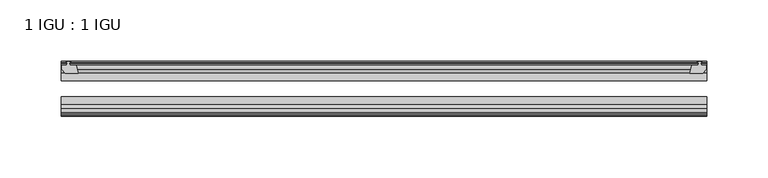
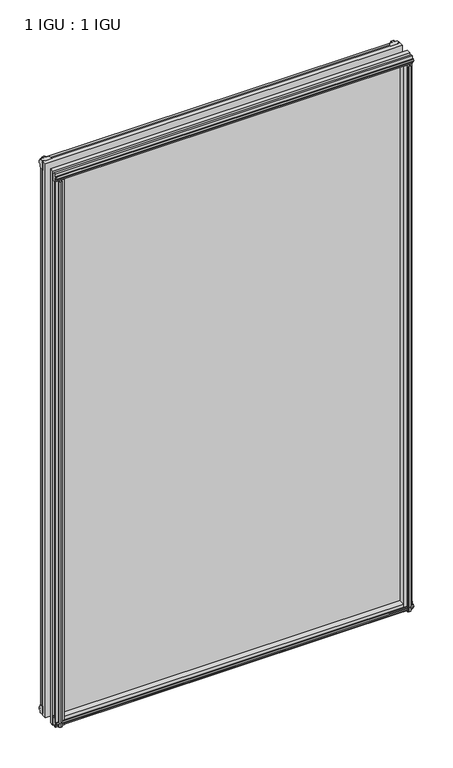
"""IFC4 building model written with IfcOpenShell, lengths in millimetres: plate geometry, 1 IGU : 1 IGU."""

import ifcopenshell
import ifcopenshell.guid

model = None  # the IFC model being written
_history = None  # IfcOwnerHistory: only IFC2X3 demands one
_inside = {}  # id of a spatial element -> (the spatial element, [elements in it])
_under = {}  # id of a project, library or spatial element -> (it, [spatial elements below it])
_declared = {}  # id of a project -> (the project, [libraries it declares])
_typed = {}  # id of a type object -> (the type object, [elements of that type])
_made_of = {}  # id of a material, layer set ... -> (it, [elements and type objects made of it])


def new_model(schema):
    """Start an empty IFC model of exactly this schema.

    Asked for "IFC4X3", IfcOpenShell would pick the latest addendum, in which some entities
    have other attributes; the version numbers below select the first issue.
    IFC2X3 requires an IfcOwnerHistory on every rooted entity: one is made here for all.
    """
    global model, _history
    if schema == "IFC4X3":
        model = ifcopenshell.file(schema_version=(4, 3, 0, 0))
    else:
        model = ifcopenshell.file(schema=schema)
    _inside.clear()
    _under.clear()
    _declared.clear()
    _typed.clear()
    _made_of.clear()
    _history = None
    if model.schema == "IFC2X3":
        org = make("IfcOrganization", Name="unknown")
        user = make(
            "IfcPersonAndOrganization",
            ThePerson=make("IfcPerson", FamilyName="unknown"),
            TheOrganization=org,
        )
        app = make(
            "IfcApplication",
            ApplicationDeveloper=org,
            Version="unknown",
            ApplicationFullName="unknown",
            ApplicationIdentifier="unknown",
        )
        _history = make(
            "IfcOwnerHistory",
            OwningUser=user,
            OwningApplication=app,
            ChangeAction="ADDED",
            CreationDate=0,
        )
    return model


def make(cls, **values):
    """One entity of the class cls with the attributes given. An attribute that is None is left unset."""
    return model.create_entity(
        cls, **{name: value for name, value in values.items() if value is not None}
    )


def rooted(cls, **values):
    """An entity with a GlobalId (a new one), such as an element, a storey or a relation."""
    return make(cls, GlobalId=ifcopenshell.guid.new(), OwnerHistory=_history, **values)


def si_unit(unit_type, name, prefix=None):
    """IfcSIUnit, for example si_unit("LENGTHUNIT", "METRE", prefix="MILLI")."""
    return make("IfcSIUnit", UnitType=unit_type, Prefix=prefix, Name=name)


def assignment(units):
    """IfcUnitAssignment: the units of a project."""
    return None if units is None else make("IfcUnitAssignment", Units=units)


def point(xyz):
    """IfcCartesianPoint."""
    return None if xyz is None else make("IfcCartesianPoint", Coordinates=xyz)


def direction(xyz):
    """IfcDirection."""
    return None if xyz is None else make("IfcDirection", DirectionRatios=xyz)


def frame(location, z_axis=None, x_axis=None):
    """IfcAxis2Placement3D, a coordinate frame: its origin and axes. An axis left out is left unset."""
    return make(
        "IfcAxis2Placement3D",
        Location=point(location),
        Axis=direction(z_axis),
        RefDirection=direction(x_axis),
    )


def origin():
    """The frame at (0, 0, 0) with its axes left unset."""
    return frame((0.0, 0.0, 0.0))


def place(relative_to, where):
    """IfcLocalPlacement: puts the frame where relative to a parent placement (None: the world)."""
    return make(
        "IfcLocalPlacement", PlacementRelTo=relative_to, RelativePlacement=where
    )


def context(
    kind, dimensions, precision=None, world=None, true_north=None, identifier=None
):
    """IfcGeometricRepresentationContext, for example the 3D "Model" context."""
    return make(
        "IfcGeometricRepresentationContext",
        ContextIdentifier=identifier,
        ContextType=kind,
        CoordinateSpaceDimension=dimensions,
        Precision=precision,
        WorldCoordinateSystem=world,
        TrueNorth=true_north,
    )


def project(units=None, contexts=None):
    """IfcProject with its units and contexts."""
    return rooted(
        "IfcProject",
        Name="project",
        RepresentationContexts=contexts,
        UnitsInContext=assignment(units),
    )


def spatial(cls, under=None, at=None, **own):
    """A site, building, storey or space (cls), placed at a placement, below another one or the project."""
    s = rooted(cls, ObjectPlacement=at, **own)
    if under is not None:
        _under.setdefault(under.id(), (under, []))[1].append(s)
    return s


def polyline(points):
    """IfcPolyline through the points."""
    return make("IfcPolyline", Points=[point(p) for p in points])


def outline(outer, holes=None, kind="AREA"):
    """IfcArbitraryClosedProfileDef: a profile drawn as a closed curve; with holes, ...WithVoids."""
    if holes is None:
        return make("IfcArbitraryClosedProfileDef", ProfileType=kind, OuterCurve=outer)
    return make(
        "IfcArbitraryProfileDefWithVoids",
        ProfileType=kind,
        OuterCurve=outer,
        InnerCurves=holes,
    )


def extrude(swept, where, along, depth):
    """IfcExtrudedAreaSolid: the profile swept, set in the frame where, extruded along a direction by depth."""
    return make(
        "IfcExtrudedAreaSolid",
        SweptArea=swept,
        Position=where,
        ExtrudedDirection=direction(along),
        Depth=depth,
    )


def shape(context_of_items, identifier, shape_type, items):
    """IfcShapeRepresentation: the items that make up one representation, for example the "Body"."""
    return make(
        "IfcShapeRepresentation",
        ContextOfItems=context_of_items,
        RepresentationIdentifier=identifier,
        RepresentationType=shape_type,
        Items=items,
    )


def source(mapping_origin, context_of_items, identifier, shape_type, items):
    """IfcRepresentationMap: a shape defined once, which mapped items show again and again."""
    return make(
        "IfcRepresentationMap",
        MappingOrigin=mapping_origin,
        MappedRepresentation=shape(context_of_items, identifier, shape_type, items),
    )


def transform(
    local_origin,
    x_axis=None,
    y_axis=None,
    z_axis=None,
    scale=None,
    scale2=None,
    scale3=None,
    uniform=True,
):
    """IfcCartesianTransformationOperator3D, or its non-uniform kind. x_axis, y_axis, z_axis: its Axis1, 2, 3."""
    if uniform:
        return make(
            "IfcCartesianTransformationOperator3D",
            Axis1=direction(x_axis),
            Axis2=direction(y_axis),
            LocalOrigin=point(local_origin),
            Scale=scale,
            Axis3=direction(z_axis),
        )
    return make(
        "IfcCartesianTransformationOperator3DnonUniform",
        Axis1=direction(x_axis),
        Axis2=direction(y_axis),
        LocalOrigin=point(local_origin),
        Scale=scale,
        Axis3=direction(z_axis),
        Scale2=scale2,
        Scale3=scale3,
    )


def mapped(mapping_source, mapping_target):
    """IfcMappedItem: shows the shape of a source again, moved by a transform."""
    return make(
        "IfcMappedItem", MappingSource=mapping_source, MappingTarget=mapping_target
    )


def made_of(thing, what):
    """Note that an element or type object is made of a material, layer set ...; save() writes the relation."""
    if what is not None:
        _made_of.setdefault(what.id(), (what, []))[1].append(thing)
    return thing


def element(
    cls,
    number,
    at=None,
    inside=None,
    cuts=None,
    type_object=None,
    material=None,
    context=None,
    identifier="Body",
    shape_type=None,
    held_by="IfcProductDefinitionShape",
    body=None,
    shapes=None,
    **own,
):
    """One element of the class cls, such as IfcWall. Its Tag is "e" and its number.

    at: its placement. inside: the storey or other place that contains it. cuts: it is an
    opening in that element (IfcRelVoidsElement). A single representation is given by context,
    identifier, shape_type and body (its items); several are given by shapes. held_by: the class
    of the entity that holds the representations. save() writes the other relations.
    """
    e = rooted(cls, Tag="e%d" % number, ObjectPlacement=at, **own)
    if body is not None:
        shapes = [shape(context, identifier, shape_type, body)]
    if shapes is not None:
        e.Representation = make(held_by, Representations=shapes)
    if inside is not None:
        _inside.setdefault(inside.id(), (inside, []))[1].append(e)
    if cuts is not None:
        rooted(
            "IfcRelVoidsElement", RelatingBuildingElement=cuts, RelatedOpeningElement=e
        )
    if type_object is not None:
        _typed.setdefault(type_object.id(), (type_object, []))[1].append(e)
    return made_of(e, material)


def aggregate(whole, parts):
    """IfcRelAggregates: a whole, such as a stair, and the parts it consists of."""
    return rooted("IfcRelAggregates", RelatingObject=whole, RelatedObjects=parts)


def save(model, path):
    """Write the relations noted so far, then the file.

    IfcRelAggregates (storeys below a building ...), IfcRelContainedInSpatialStructure (elements
    in a storey), IfcRelDefinesByType, IfcRelAssociatesMaterial and IfcRelDeclares: one each for
    every whole, place, type object, material and project.
    """
    for whole, parts in _under.values():
        aggregate(whole, parts)
    for where, things in _inside.values():
        rooted(
            "IfcRelContainedInSpatialStructure",
            RelatedElements=things,
            RelatingStructure=where,
        )
    for kind, things in _typed.values():
        rooted("IfcRelDefinesByType", RelatedObjects=things, RelatingType=kind)
    for what, things in _made_of.values():
        rooted("IfcRelAssociatesMaterial", RelatedObjects=things, RelatingMaterial=what)
    for by, libraries in _declared.values():
        rooted("IfcRelDeclares", RelatingContext=by, RelatedDefinitions=libraries)
    model.write(path)


def plate_1_igu_1_igu_bef7da32(model_context):
    return source(origin(), model_context, "Body", "SweptSolid", [
        extrude(outline(polyline([(255.5249178, -10.4746158), (257.7024469, -9.7670938), (259.8799759, -10.4746158), (259.8799759, -11.27583), (258.4644469, -10.8158968), (258.8454469, -13.1960938), (263.2904469, -13.1960938), (263.2904469, -16.1424938), (260.4561047, -19.5460938), (249.6347288, -19.5460938), (251.3524469, -13.1960938), (256.5594469, -13.1960938), (256.9404469, -10.8158968), (255.5249178, -11.27583), (255.5249178, -10.4746158)])), frame((0.0, 0.0, -12.4587), z_axis=(0.0, 0.0, 1.0), x_axis=(1.0, 0.0, 0.0)), (0.0, 0.0, 1.0), 863.1174),
        extrude(outline(polyline([(-257.7024469, -9.7670937), (-255.5249178, -10.4746158), (-255.5249178, -11.27583), (-256.9404469, -10.8158968), (-256.5594469, -13.1960937), (-251.3524469, -13.1960937), (-249.6347288, -19.5460937), (-260.4561047, -19.5460937), (-263.2904469, -16.1424937), (-263.2904469, -13.1960937), (-258.8454469, -13.1960937), (-258.4644469, -10.8158968), (-259.8799759, -11.27583), (-259.8799759, -10.4746158), (-257.7024469, -9.7670937)])), frame((0.0, 0.0, -12.4587), z_axis=(0.0, 0.0, 1.0), x_axis=(1.0, 0.0, 0.0)), (0.0, 0.0, 1.0), 863.1174),
        extrude(outline(polyline([(249.1173308, -44.9460938), (259.9387067, -44.9460938), (262.7730489, -48.3496938), (262.7730489, -51.2960938), (258.3280489, -51.2960938), (257.9470489, -53.6762907), (259.3625779, -53.2163575), (259.3625779, -54.0175717), (257.1850489, -54.7250938), (255.0075198, -54.0175717), (255.0075198, -53.2163575), (256.4230489, -53.6762907), (256.0420489, -51.2960938), (250.8350489, -51.2960938), (249.1173308, -44.9460938)])), frame((0.0, 0.0, -12.4587), z_axis=(0.0, 0.0, 1.0), x_axis=(1.0, 0.0, 0.0)), (0.0, 0.0, 1.0), 850.4174),
        extrude(outline(polyline([(-249.1140288, -44.9460937), (-250.8317469, -51.2960937), (-256.0387469, -51.2960937), (-256.4197469, -53.6762907), (-255.0042178, -53.2163575), (-255.0042178, -54.0175717), (-257.1817469, -54.7250937), (-259.3592759, -54.0175717), (-259.3592759, -53.2163575), (-257.9437469, -53.6762907), (-258.3247469, -51.2960937), (-262.7697469, -51.2960937), (-262.7697469, -48.3496937), (-259.9354047, -44.9460937), (-249.1140288, -44.9460937)])), frame((0.0, 0.0, -12.4587), z_axis=(0.0, 0.0, 1.0), x_axis=(1.0, 0.0, 0.0)), (0.0, 0.0, 1.0), 850.4174),
        extrude(outline(polyline([(-10.4746158, -4.6931709), (-9.7670937, -6.8707), (-10.4746158, -9.0482291), (-11.27583, -9.0482291), (-10.8158968, -7.6327), (-13.1960937, -8.0137), (-13.1960937, -12.4587), (-16.1424937, -12.4587), (-19.5460937, -9.6243578), (-19.5460937, 1.1970181), (-13.1960937, -0.5207), (-13.1960937, -5.7277), (-10.8158968, -6.1087), (-11.27583, -4.6931709), (-10.4746158, -4.6931709)])), frame((-263.5317469, 0.0, 0.0), z_axis=(1.0, 0.0, 0.0), x_axis=(0.0, 1.0, 0.0)), (0.0, 0.0, 1.0), 527.0634937),
        extrude(outline(polyline([(-44.9460937, 1.7177181), (-44.9460937, -9.1036578), (-48.3496937, -11.938), (-51.2960937, -11.938), (-51.2960937, -7.493), (-53.6762907, -7.112), (-53.2163575, -8.5275291), (-54.0175717, -8.5275291), (-54.7250937, -6.35), (-54.0175717, -4.1724709), (-53.2163575, -4.1724709), (-53.6762907, -5.588), (-51.2960937, -5.207), (-51.2960937, 0.0), (-44.9460937, 1.7177181)])), frame((-263.5317469, 0.0, 0.0), z_axis=(1.0, 0.0, 0.0), x_axis=(0.0, 1.0, 0.0)), (0.0, 0.0, 1.0), 527.0634937),
        extrude(outline(polyline([(-10.8158968, 845.8327), (-11.27583, 847.2482291), (-10.4746158, 847.2482291), (-9.7670937, 845.0707), (-10.4746158, 842.8931709), (-11.27583, 842.8931709), (-10.8158968, 844.3087), (-13.1960937, 843.9277), (-13.1960937, 838.7207), (-19.5460938, 837.0029819), (-19.5460938, 847.8243578), (-16.1424937, 850.6587), (-13.1960937, 850.6587), (-13.1960937, 846.2137), (-10.8158968, 845.8327)])), frame((-263.5317469, 0.0, 0.0), z_axis=(1.0, 0.0, 0.0), x_axis=(0.0, 1.0, 0.0)), (0.0, 0.0, 1.0), 527.0634937),
        extrude(outline(polyline([(-51.2960937, 850.138), (-48.3496937, 850.138), (-44.9460938, 847.3036578), (-44.9460938, 836.4822819), (-51.2960937, 838.2), (-51.2960937, 843.407), (-53.6762907, 843.788), (-53.2163575, 842.3724709), (-54.0175717, 842.3724709), (-54.7250937, 844.55), (-54.0175717, 846.7275291), (-53.2163575, 846.7275291), (-53.6762907, 845.312), (-51.2960937, 845.693), (-51.2960937, 850.138)])), frame((-263.5317469, 0.0, 0.0), z_axis=(1.0, 0.0, 0.0), x_axis=(0.0, 1.0, 0.0)), (0.0, 0.0, 1.0), 527.0634937),
        extrude(outline(polyline([(-263.5317469, -38.9186738), (263.5317469, -38.9186738), (263.5317469, -44.9460937), (-263.5317469, -44.9460937), (-263.5317469, -38.9186738)])), frame((0.0, 0.0, -12.7), z_axis=(0.0, 0.0, 1.0), x_axis=(1.0, 0.0, 0.0)), (0.0, 0.0, 1.0), 863.6),
        extrude(outline(polyline([(-263.5317469, -19.5460937), (263.5317469, -19.5460937), (263.5317469, -25.8960938), (-263.5317469, -25.8960938), (-263.5317469, -19.5460937)])), frame((0.0, 0.0, -12.7), z_axis=(0.0, 0.0, 1.0), x_axis=(1.0, 0.0, 0.0)), (0.0, 0.0, 1.0), 863.6),
    ])


if __name__ == "__main__":
    model = new_model("IFC4")
    model_context = context("Model", 3, world=origin())
    ifc_project = project(units=[si_unit("LENGTHUNIT", "METRE", prefix="MILLI")], contexts=[model_context])
    site = spatial("IfcSite", under=ifc_project)
    building = spatial("IfcBuilding", under=site)
    placement = place(None, origin())
    plate_1_igu_1_igu_shape = plate_1_igu_1_igu_bef7da32(model_context)
    element("IfcPlate", 1, ObjectType="1 IGU : 1 IGU", at=placement, inside=building, context=model_context, shape_type="MappedRepresentation", body=[
        mapped(plate_1_igu_1_igu_shape, transform((0.0, 0.0, 0.0), x_axis=(1.0, 0.0, 0.0), y_axis=(0.0, 1.0, 0.0), z_axis=(0.0, 0.0, 1.0))),
    ])
    save(model, "model.ifc")
